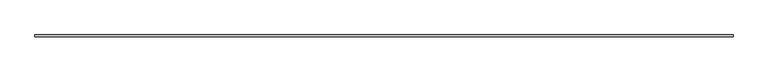
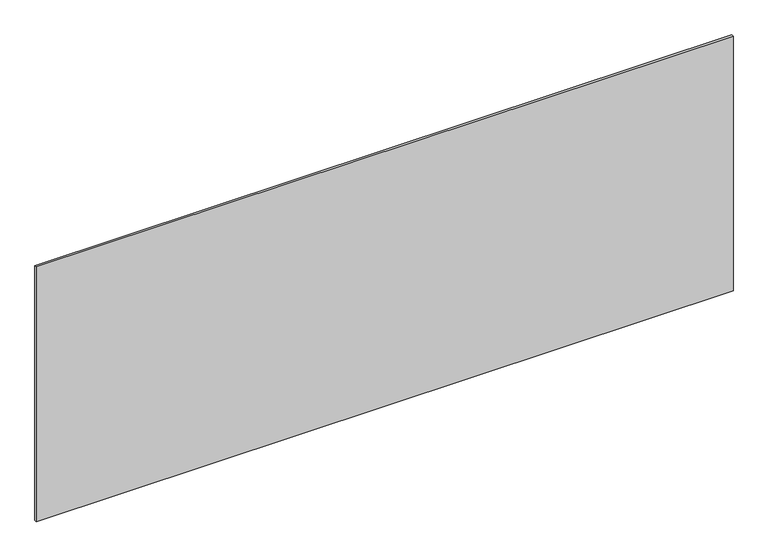
"""IFC4 building model written with IfcOpenShell, lengths in millimetres: plate geometry."""

from ifc_helpers import new_model, si_unit, origin, origin_with_axes, place, context, project, spatial, polyline, outline, extrude, source, transform, mapped, element, save


def plate_d77b17ee(model_context):
    return source(origin(), model_context, "Body", "SweptSolid", [
        extrude(outline(polyline([(1715.0, -5.0), (-1715.0, -5.0), (-1715.0, 5.0), (1715.0, 5.0), (1715.0, -5.0)])), origin_with_axes(), (0.0, 0.0, 1.0), 1325.4316357),
    ])


if __name__ == "__main__":
    model = new_model("IFC4")
    model_context = context("Model", 3, world=origin())
    ifc_project = project(units=[si_unit("LENGTHUNIT", "METRE", prefix="MILLI")], contexts=[model_context])
    site = spatial("IfcSite", under=ifc_project)
    building = spatial("IfcBuilding", under=site)
    placement = place(None, origin())
    plate_shape = plate_d77b17ee(model_context)
    element("IfcPlate", 1, at=placement, inside=building, context=model_context, shape_type="MappedRepresentation", body=[
        mapped(plate_shape, transform((0.0, 0.0, 0.0), x_axis=(1.0, 0.0, 0.0), y_axis=(0.0, 1.0, 0.0), z_axis=(0.0, 0.0, 1.0))),
    ])
    save(model, "model.ifc")
